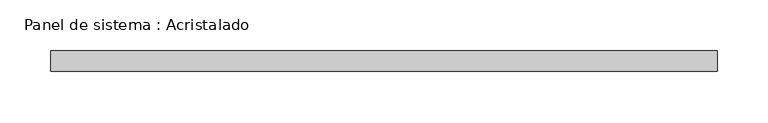
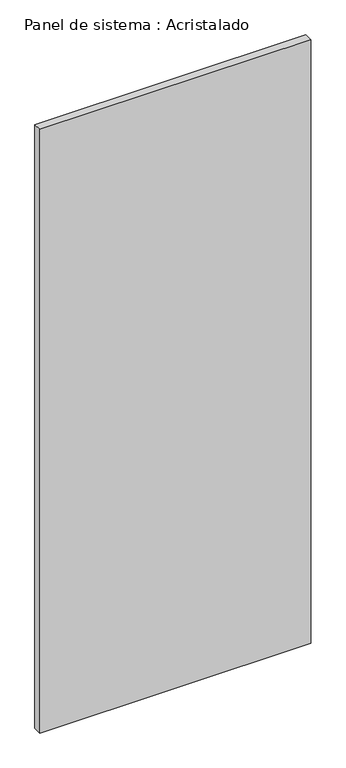
"""IFC4 building model written with IfcOpenShell, lengths in millimetres: plate geometry, Panel de sistema : Acristalado."""

from ifc_helpers import new_model, si_unit, origin, origin_with_axes, place, context, project, spatial, polyline, outline, extrude, source, transform, mapped, element, save


def panel_de_sistema_acristalado_f714d770(model_context):
    return source(origin(), model_context, "Body", "SweptSolid", [
        extrude(outline(polyline([(326.5, -10.0), (-326.5, -10.0), (-326.5, 10.0), (326.5, 10.0), (326.5, -10.0)])), origin_with_axes(), (0.0, 0.0, 1.0), 1537.5081994),
    ])


if __name__ == "__main__":
    model = new_model("IFC4")
    model_context = context("Model", 3, world=origin())
    ifc_project = project(units=[si_unit("LENGTHUNIT", "METRE", prefix="MILLI")], contexts=[model_context])
    site = spatial("IfcSite", under=ifc_project)
    building = spatial("IfcBuilding", under=site)
    placement = place(None, origin())
    panel_de_sistema_acristalado_shape = panel_de_sistema_acristalado_f714d770(model_context)
    element("IfcPlate", 1, ObjectType="Panel de sistema : Acristalado", at=placement, inside=building, context=model_context, shape_type="MappedRepresentation", body=[
        mapped(panel_de_sistema_acristalado_shape, transform((0.0, 0.0, 0.0), x_axis=(1.0, 0.0, 0.0), y_axis=(0.0, 1.0, 0.0), z_axis=(0.0, 0.0, 1.0))),
    ])
    save(model, "model.ifc")
